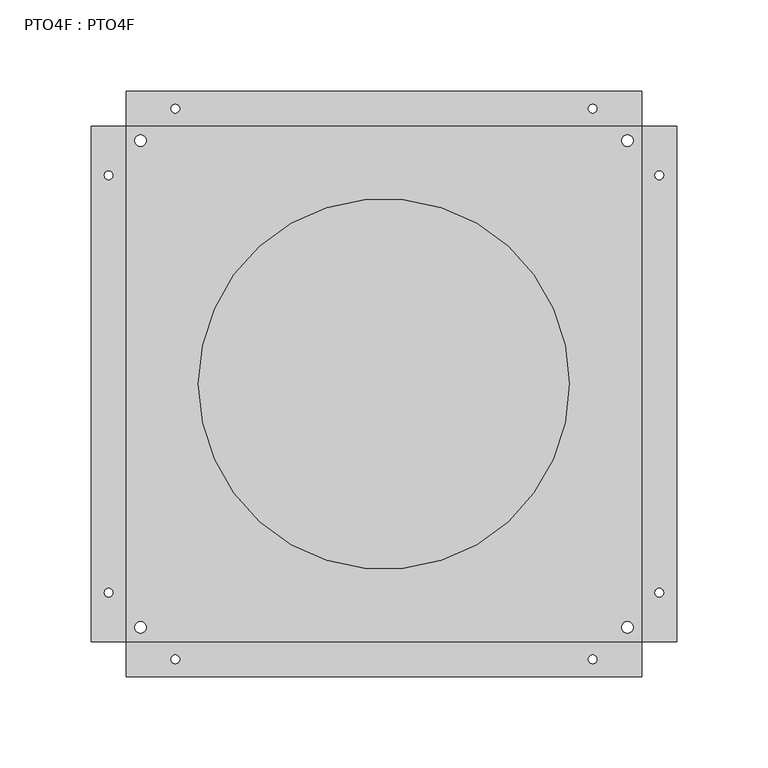
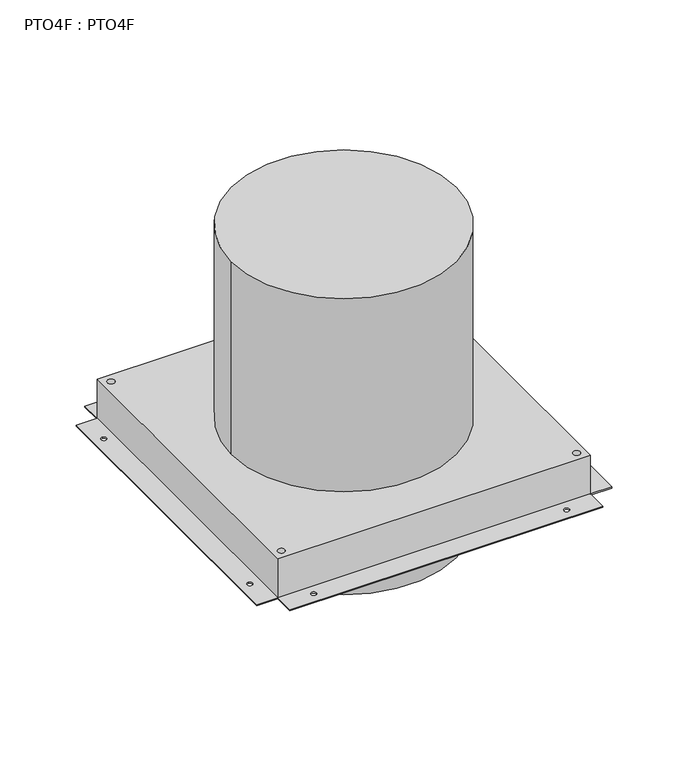
"""IFC4 building model written with IfcOpenShell, lengths in millimetres: proxy geometry, PTO4F : PTO4F."""

import ifcopenshell
import ifcopenshell.guid

model = None  # the IFC model being written
_history = None  # IfcOwnerHistory: only IFC2X3 demands one
_inside = {}  # id of a spatial element -> (the spatial element, [elements in it])
_under = {}  # id of a project, library or spatial element -> (it, [spatial elements below it])
_declared = {}  # id of a project -> (the project, [libraries it declares])
_typed = {}  # id of a type object -> (the type object, [elements of that type])
_made_of = {}  # id of a material, layer set ... -> (it, [elements and type objects made of it])


def new_model(schema):
    """Start an empty IFC model of exactly this schema.

    Asked for "IFC4X3", IfcOpenShell would pick the latest addendum, in which some entities
    have other attributes; the version numbers below select the first issue.
    IFC2X3 requires an IfcOwnerHistory on every rooted entity: one is made here for all.
    """
    global model, _history
    if schema == "IFC4X3":
        model = ifcopenshell.file(schema_version=(4, 3, 0, 0))
    else:
        model = ifcopenshell.file(schema=schema)
    _inside.clear()
    _under.clear()
    _declared.clear()
    _typed.clear()
    _made_of.clear()
    _history = None
    if model.schema == "IFC2X3":
        org = make("IfcOrganization", Name="unknown")
        user = make(
            "IfcPersonAndOrganization",
            ThePerson=make("IfcPerson", FamilyName="unknown"),
            TheOrganization=org,
        )
        app = make(
            "IfcApplication",
            ApplicationDeveloper=org,
            Version="unknown",
            ApplicationFullName="unknown",
            ApplicationIdentifier="unknown",
        )
        _history = make(
            "IfcOwnerHistory",
            OwningUser=user,
            OwningApplication=app,
            ChangeAction="ADDED",
            CreationDate=0,
        )
    return model


def make(cls, **values):
    """One entity of the class cls with the attributes given. An attribute that is None is left unset."""
    return model.create_entity(
        cls, **{name: value for name, value in values.items() if value is not None}
    )


def rooted(cls, **values):
    """An entity with a GlobalId (a new one), such as an element, a storey or a relation."""
    return make(cls, GlobalId=ifcopenshell.guid.new(), OwnerHistory=_history, **values)


def si_unit(unit_type, name, prefix=None):
    """IfcSIUnit, for example si_unit("LENGTHUNIT", "METRE", prefix="MILLI")."""
    return make("IfcSIUnit", UnitType=unit_type, Prefix=prefix, Name=name)


def assignment(units):
    """IfcUnitAssignment: the units of a project."""
    return None if units is None else make("IfcUnitAssignment", Units=units)


def point(xyz):
    """IfcCartesianPoint."""
    return None if xyz is None else make("IfcCartesianPoint", Coordinates=xyz)


def direction(xyz):
    """IfcDirection."""
    return None if xyz is None else make("IfcDirection", DirectionRatios=xyz)


def frame(location, z_axis=None, x_axis=None):
    """IfcAxis2Placement3D, a coordinate frame: its origin and axes. An axis left out is left unset."""
    return make(
        "IfcAxis2Placement3D",
        Location=point(location),
        Axis=direction(z_axis),
        RefDirection=direction(x_axis),
    )


def frame_2d(location, x_axis=None):
    """IfcAxis2Placement2D, a coordinate frame in the plane: its origin and x axis."""
    return make(
        "IfcAxis2Placement2D", Location=point(location), RefDirection=direction(x_axis)
    )


def origin():
    """The frame at (0, 0, 0) with its axes left unset."""
    return frame((0.0, 0.0, 0.0))


def origin_with_axes():
    """The frame at (0, 0, 0) with the z axis (0, 0, 1) and the x axis (1, 0, 0) written out."""
    return frame((0.0, 0.0, 0.0), z_axis=(0.0, 0.0, 1.0), x_axis=(1.0, 0.0, 0.0))


def origin_2d():
    """The frame at (0, 0) in the plane with its x axis left unset."""
    return frame_2d((0.0, 0.0))


def place(relative_to, where):
    """IfcLocalPlacement: puts the frame where relative to a parent placement (None: the world)."""
    return make(
        "IfcLocalPlacement", PlacementRelTo=relative_to, RelativePlacement=where
    )


def context(
    kind, dimensions, precision=None, world=None, true_north=None, identifier=None
):
    """IfcGeometricRepresentationContext, for example the 3D "Model" context."""
    return make(
        "IfcGeometricRepresentationContext",
        ContextIdentifier=identifier,
        ContextType=kind,
        CoordinateSpaceDimension=dimensions,
        Precision=precision,
        WorldCoordinateSystem=world,
        TrueNorth=true_north,
    )


def project(units=None, contexts=None):
    """IfcProject with its units and contexts."""
    return rooted(
        "IfcProject",
        Name="project",
        RepresentationContexts=contexts,
        UnitsInContext=assignment(units),
    )


def spatial(cls, under=None, at=None, **own):
    """A site, building, storey or space (cls), placed at a placement, below another one or the project."""
    s = rooted(cls, ObjectPlacement=at, **own)
    if under is not None:
        _under.setdefault(under.id(), (under, []))[1].append(s)
    return s


def polyline(points):
    """IfcPolyline through the points."""
    return make("IfcPolyline", Points=[point(p) for p in points])


def circle_curve(where, radius):
    """IfcCircle in the frame where."""
    return make("IfcCircle", Position=where, Radius=radius)


def trimmed(basis, trim1, trim2, sense, master):
    """IfcTrimmedCurve: the piece of a basis curve between two trims."""
    return make(
        "IfcTrimmedCurve",
        BasisCurve=basis,
        Trim1=trim1,
        Trim2=trim2,
        SenseAgreement=sense,
        MasterRepresentation=master,
    )


def segment(curve, same_sense, transition):
    """IfcCompositeCurveSegment."""
    return make(
        "IfcCompositeCurveSegment",
        Transition=transition,
        SameSense=same_sense,
        ParentCurve=curve,
    )


def composite_curve(segments, self_intersect=None):
    """IfcCompositeCurve: segments joined end to end."""
    return make("IfcCompositeCurve", Segments=segments, SelfIntersect=self_intersect)


def outline(outer, holes=None, kind="AREA"):
    """IfcArbitraryClosedProfileDef: a profile drawn as a closed curve; with holes, ...WithVoids."""
    if holes is None:
        return make("IfcArbitraryClosedProfileDef", ProfileType=kind, OuterCurve=outer)
    return make(
        "IfcArbitraryProfileDefWithVoids",
        ProfileType=kind,
        OuterCurve=outer,
        InnerCurves=holes,
    )


def extrude(swept, where, along, depth):
    """IfcExtrudedAreaSolid: the profile swept, set in the frame where, extruded along a direction by depth."""
    return make(
        "IfcExtrudedAreaSolid",
        SweptArea=swept,
        Position=where,
        ExtrudedDirection=direction(along),
        Depth=depth,
    )


def shape(context_of_items, identifier, shape_type, items):
    """IfcShapeRepresentation: the items that make up one representation, for example the "Body"."""
    return make(
        "IfcShapeRepresentation",
        ContextOfItems=context_of_items,
        RepresentationIdentifier=identifier,
        RepresentationType=shape_type,
        Items=items,
    )


def source(mapping_origin, context_of_items, identifier, shape_type, items):
    """IfcRepresentationMap: a shape defined once, which mapped items show again and again."""
    return make(
        "IfcRepresentationMap",
        MappingOrigin=mapping_origin,
        MappedRepresentation=shape(context_of_items, identifier, shape_type, items),
    )


def transform(
    local_origin,
    x_axis=None,
    y_axis=None,
    z_axis=None,
    scale=None,
    scale2=None,
    scale3=None,
    uniform=True,
):
    """IfcCartesianTransformationOperator3D, or its non-uniform kind. x_axis, y_axis, z_axis: its Axis1, 2, 3."""
    if uniform:
        return make(
            "IfcCartesianTransformationOperator3D",
            Axis1=direction(x_axis),
            Axis2=direction(y_axis),
            LocalOrigin=point(local_origin),
            Scale=scale,
            Axis3=direction(z_axis),
        )
    return make(
        "IfcCartesianTransformationOperator3DnonUniform",
        Axis1=direction(x_axis),
        Axis2=direction(y_axis),
        LocalOrigin=point(local_origin),
        Scale=scale,
        Axis3=direction(z_axis),
        Scale2=scale2,
        Scale3=scale3,
    )


def mapped(mapping_source, mapping_target):
    """IfcMappedItem: shows the shape of a source again, moved by a transform."""
    return make(
        "IfcMappedItem", MappingSource=mapping_source, MappingTarget=mapping_target
    )


def made_of(thing, what):
    """Note that an element or type object is made of a material, layer set ...; save() writes the relation."""
    if what is not None:
        _made_of.setdefault(what.id(), (what, []))[1].append(thing)
    return thing


def element(
    cls,
    number,
    at=None,
    inside=None,
    cuts=None,
    type_object=None,
    material=None,
    context=None,
    identifier="Body",
    shape_type=None,
    held_by="IfcProductDefinitionShape",
    body=None,
    shapes=None,
    **own,
):
    """One element of the class cls, such as IfcWall. Its Tag is "e" and its number.

    at: its placement. inside: the storey or other place that contains it. cuts: it is an
    opening in that element (IfcRelVoidsElement). A single representation is given by context,
    identifier, shape_type and body (its items); several are given by shapes. held_by: the class
    of the entity that holds the representations. save() writes the other relations.
    """
    e = rooted(cls, Tag="e%d" % number, ObjectPlacement=at, **own)
    if body is not None:
        shapes = [shape(context, identifier, shape_type, body)]
    if shapes is not None:
        e.Representation = make(held_by, Representations=shapes)
    if inside is not None:
        _inside.setdefault(inside.id(), (inside, []))[1].append(e)
    if cuts is not None:
        rooted(
            "IfcRelVoidsElement", RelatingBuildingElement=cuts, RelatedOpeningElement=e
        )
    if type_object is not None:
        _typed.setdefault(type_object.id(), (type_object, []))[1].append(e)
    return made_of(e, material)


def aggregate(whole, parts):
    """IfcRelAggregates: a whole, such as a stair, and the parts it consists of."""
    return rooted("IfcRelAggregates", RelatingObject=whole, RelatedObjects=parts)


def save(model, path):
    """Write the relations noted so far, then the file.

    IfcRelAggregates (storeys below a building ...), IfcRelContainedInSpatialStructure (elements
    in a storey), IfcRelDefinesByType, IfcRelAssociatesMaterial and IfcRelDeclares: one each for
    every whole, place, type object, material and project.
    """
    for whole, parts in _under.values():
        aggregate(whole, parts)
    for where, things in _inside.values():
        rooted(
            "IfcRelContainedInSpatialStructure",
            RelatedElements=things,
            RelatingStructure=where,
        )
    for kind, things in _typed.values():
        rooted("IfcRelDefinesByType", RelatedObjects=things, RelatingType=kind)
    for what, things in _made_of.values():
        rooted("IfcRelAssociatesMaterial", RelatedObjects=things, RelatingMaterial=what)
    for by, libraries in _declared.values():
        rooted("IfcRelDeclares", RelatingContext=by, RelatedDefinitions=libraries)
    model.write(path)


def pto4f_pto4f_cab36d15(model_context):
    return source(origin(), model_context, "Body", "SweptSolid", [
        extrude(outline(polyline([(-160.3374872, -141.2875), (-160.3374872, 141.2875), (-141.2875, 141.2875), (-141.2875, -141.2875), (-160.3374872, -141.2875)]), holes=[composite_curve([segment(trimmed(circle_curve(frame_2d((-150.8124944, 114.2999944)), 2.38125), [point((-150.8124944, 116.6812444))], [point((-150.8124944, 111.9187444))], True, "CARTESIAN"), True, "CONTINUOUS"), segment(trimmed(circle_curve(frame_2d((-150.8124944, 114.2999944)), 2.38125), [point((-150.8124944, 111.9187444))], [point((-150.8124944, 116.6812444))], True, "CARTESIAN"), True, "CONTINUOUS")], self_intersect=False), composite_curve([segment(trimmed(circle_curve(frame_2d((-150.8124944, -114.3000056)), 2.38125), [point((-150.8124944, -111.9187556))], [point((-150.8124944, -116.6812556))], True, "CARTESIAN"), True, "CONTINUOUS"), segment(trimmed(circle_curve(frame_2d((-150.8124944, -114.3000056)), 2.38125), [point((-150.8124944, -116.6812556))], [point((-150.8124944, -111.9187556))], True, "CARTESIAN"), True, "CONTINUOUS")], self_intersect=False)]), origin_with_axes(), (0.0, 0.0, 1.0), 1.016),
        extrude(outline(polyline([(141.2875, -141.2875113), (141.2875, 141.2875), (160.3374985, 141.2875), (160.3374985, -141.2875113), (141.2875, -141.2875113)]), holes=[composite_curve([segment(trimmed(circle_curve(frame_2d((150.8125056, 114.2999944)), 2.38125), [point((150.8125056, 116.6812444))], [point((150.8125056, 111.9187444))], True, "CARTESIAN"), True, "CONTINUOUS"), segment(trimmed(circle_curve(frame_2d((150.8125056, 114.2999944)), 2.38125), [point((150.8125056, 111.9187444))], [point((150.8125056, 116.6812444))], True, "CARTESIAN"), True, "CONTINUOUS")], self_intersect=False), composite_curve([segment(trimmed(circle_curve(frame_2d((150.8125056, -114.3000056)), 2.38125), [point((150.8125056, -111.9187556))], [point((150.8125056, -116.6812556))], True, "CARTESIAN"), True, "CONTINUOUS"), segment(trimmed(circle_curve(frame_2d((150.8125056, -114.3000056)), 2.38125), [point((150.8125056, -116.6812556))], [point((150.8125056, -111.9187556))], True, "CARTESIAN"), True, "CONTINUOUS")], self_intersect=False)]), origin_with_axes(), (0.0, 0.0, 1.0), 1.016),
        extrude(outline(polyline([(141.2875, 160.3374872), (141.2875, 141.2875), (-141.2875, 141.2875), (-141.2875, 160.3374872), (141.2875, 160.3374872)]), holes=[composite_curve([segment(trimmed(circle_curve(frame_2d((-114.2999944, 150.8124944)), 2.38125), [point((-116.6812444, 150.8124944))], [point((-111.9187444, 150.8124944))], True, "CARTESIAN"), True, "CONTINUOUS"), segment(trimmed(circle_curve(frame_2d((-114.2999944, 150.8124944)), 2.38125), [point((-111.9187444, 150.8124944))], [point((-116.6812444, 150.8124944))], True, "CARTESIAN"), True, "CONTINUOUS")], self_intersect=False), composite_curve([segment(trimmed(circle_curve(frame_2d((114.3000056, 150.8124944)), 2.38125), [point((111.9187556, 150.8124944))], [point((116.6812556, 150.8124944))], True, "CARTESIAN"), True, "CONTINUOUS"), segment(trimmed(circle_curve(frame_2d((114.3000056, 150.8124944)), 2.38125), [point((116.6812556, 150.8124944))], [point((111.9187556, 150.8124944))], True, "CARTESIAN"), True, "CONTINUOUS")], self_intersect=False)]), origin_with_axes(), (0.0, 0.0, 1.0), 1.016),
        extrude(outline(polyline([(141.2875113, -141.2875), (141.2875113, -160.3374985), (-141.2875, -160.3374985), (-141.2875, -141.2875), (141.2875113, -141.2875)]), holes=[composite_curve([segment(trimmed(circle_curve(frame_2d((-114.2999944, -150.8125056)), 2.38125), [point((-116.6812444, -150.8125056))], [point((-111.9187444, -150.8125056))], True, "CARTESIAN"), True, "CONTINUOUS"), segment(trimmed(circle_curve(frame_2d((-114.2999944, -150.8125056)), 2.38125), [point((-111.9187444, -150.8125056))], [point((-116.6812444, -150.8125056))], True, "CARTESIAN"), True, "CONTINUOUS")], self_intersect=False), composite_curve([segment(trimmed(circle_curve(frame_2d((114.3000056, -150.8125056)), 2.38125), [point((111.9187556, -150.8125056))], [point((116.6812556, -150.8125056))], True, "CARTESIAN"), True, "CONTINUOUS"), segment(trimmed(circle_curve(frame_2d((114.3000056, -150.8125056)), 2.38125), [point((116.6812556, -150.8125056))], [point((111.9187556, -150.8125056))], True, "CARTESIAN"), True, "CONTINUOUS")], self_intersect=False)]), origin_with_axes(), (0.0, 0.0, 1.0), 1.016),
        extrude(outline(composite_curve([segment(trimmed(circle_curve(origin_2d(), 63.5), [point((-63.5, 0.0))], [point((63.5, 0.0))], False, "CARTESIAN"), True, "CONTINUOUS"), segment(trimmed(circle_curve(origin_2d(), 63.5), [point((63.5, 0.0))], [point((-63.5, 0.0))], False, "CARTESIAN"), True, "CONTINUOUS")], self_intersect=False)), frame((0.0, 0.0, -82.55), z_axis=(0.0, 0.0, 1.0), x_axis=(1.0, 0.0, 0.0)), (0.0, 0.0, 1.0), 22.098),
        extrude(outline(composite_curve([segment(trimmed(circle_curve(origin_2d(), 101.6), [point((-101.6, 0.0))], [point((101.6, 0.0))], False, "CARTESIAN"), True, "CONTINUOUS"), segment(trimmed(circle_curve(origin_2d(), 101.6), [point((101.6, 0.0))], [point((-101.6, 0.0))], False, "CARTESIAN"), True, "CONTINUOUS")], self_intersect=False)), frame((0.0, 0.0, -60.452), z_axis=(0.0, 0.0, 1.0), x_axis=(1.0, 0.0, 0.0)), (0.0, 0.0, 1.0), 60.452),
        extrude(outline(composite_curve([segment(trimmed(circle_curve(origin_2d(), 101.6), [point((-101.6, 0.0))], [point((101.6, 0.0))], False, "CARTESIAN"), True, "CONTINUOUS"), segment(trimmed(circle_curve(origin_2d(), 101.6), [point((101.6, 0.0))], [point((-101.6, 0.0))], False, "CARTESIAN"), True, "CONTINUOUS")], self_intersect=False)), frame((0.0, 0.0, 38.1), z_axis=(0.0, 0.0, 1.0), x_axis=(1.0, 0.0, 0.0)), (0.0, 0.0, 1.0), 184.15),
        extrude(outline(polyline([(141.2875, 141.2875), (141.2875, -141.2875), (-141.2875, -141.2875), (-141.2875, 141.2875), (141.2875, 141.2875)]), holes=[composite_curve([segment(trimmed(circle_curve(frame_2d((133.3499947, 133.3499947)), 3.1749999), [point((130.1749948, 133.3499947))], [point((136.5249946, 133.3499947))], True, "CARTESIAN"), True, "CONTINUOUS"), segment(trimmed(circle_curve(frame_2d((133.3499947, 133.3499947)), 3.1749999), [point((136.5249946, 133.3499947))], [point((130.1749948, 133.3499947))], True, "CARTESIAN"), True, "CONTINUOUS")], self_intersect=False), composite_curve([segment(trimmed(circle_curve(frame_2d((-133.3499947, 133.3499947)), 3.1749999), [point((-136.5249946, 133.3499947))], [point((-130.1749948, 133.3499947))], True, "CARTESIAN"), True, "CONTINUOUS"), segment(trimmed(circle_curve(frame_2d((-133.3499947, 133.3499947)), 3.1749999), [point((-130.1749948, 133.3499947))], [point((-136.5249946, 133.3499947))], True, "CARTESIAN"), True, "CONTINUOUS")], self_intersect=False), composite_curve([segment(trimmed(circle_curve(frame_2d((-133.3499947, -133.3499947)), 3.1749999), [point((-136.5249946, -133.3499947))], [point((-130.1749948, -133.3499947))], True, "CARTESIAN"), True, "CONTINUOUS"), segment(trimmed(circle_curve(frame_2d((-133.3499947, -133.3499947)), 3.1749999), [point((-130.1749948, -133.3499947))], [point((-136.5249946, -133.3499947))], True, "CARTESIAN"), True, "CONTINUOUS")], self_intersect=False), composite_curve([segment(trimmed(circle_curve(frame_2d((133.3499947, -133.3499947)), 3.1749999), [point((130.1749948, -133.3499947))], [point((136.5249946, -133.3499947))], True, "CARTESIAN"), True, "CONTINUOUS"), segment(trimmed(circle_curve(frame_2d((133.3499947, -133.3499947)), 3.1749999), [point((136.5249946, -133.3499947))], [point((130.1749948, -133.3499947))], True, "CARTESIAN"), True, "CONTINUOUS")], self_intersect=False)]), origin_with_axes(), (0.0, 0.0, 1.0), 38.1),
    ])


if __name__ == "__main__":
    model = new_model("IFC4")
    model_context = context("Model", 3, world=origin())
    ifc_project = project(units=[si_unit("LENGTHUNIT", "METRE", prefix="MILLI")], contexts=[model_context])
    site = spatial("IfcSite", under=ifc_project)
    building = spatial("IfcBuilding", under=site)
    placement = place(None, origin())
    pto4f_pto4f_shape = pto4f_pto4f_cab36d15(model_context)
    element("IfcBuildingElementProxy", 1, Name="PTO4F : PTO4F", ObjectType="PTO4F : PTO4F", at=placement, inside=building, context=model_context, shape_type="MappedRepresentation", body=[
        mapped(pto4f_pto4f_shape, transform((0.0, 0.0, 0.0), x_axis=(1.0, 0.0, 0.0), y_axis=(0.0, 1.0, 0.0), z_axis=(0.0, 0.0, 1.0))),
    ])
    save(model, "model.ifc")
